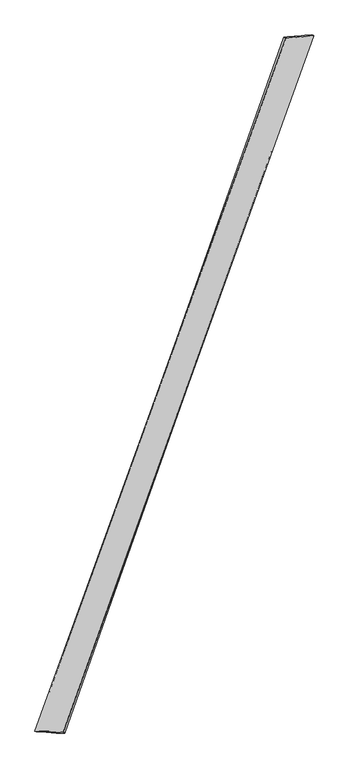
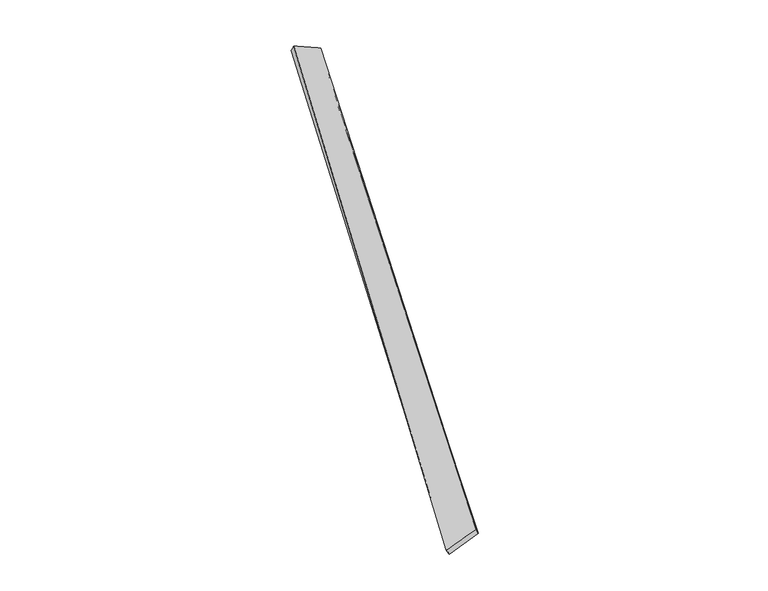
"""IFC4 building model written with IfcOpenShell, lengths in millimetres: proxy geometry."""

import ifcopenshell
import ifcopenshell.guid

model = None  # the IFC model being written
_history = None  # IfcOwnerHistory: only IFC2X3 demands one
_inside = {}  # id of a spatial element -> (the spatial element, [elements in it])
_under = {}  # id of a project, library or spatial element -> (it, [spatial elements below it])
_declared = {}  # id of a project -> (the project, [libraries it declares])
_typed = {}  # id of a type object -> (the type object, [elements of that type])
_made_of = {}  # id of a material, layer set ... -> (it, [elements and type objects made of it])


def new_model(schema):
    """Start an empty IFC model of exactly this schema.

    Asked for "IFC4X3", IfcOpenShell would pick the latest addendum, in which some entities
    have other attributes; the version numbers below select the first issue.
    IFC2X3 requires an IfcOwnerHistory on every rooted entity: one is made here for all.
    """
    global model, _history
    if schema == "IFC4X3":
        model = ifcopenshell.file(schema_version=(4, 3, 0, 0))
    else:
        model = ifcopenshell.file(schema=schema)
    _inside.clear()
    _under.clear()
    _declared.clear()
    _typed.clear()
    _made_of.clear()
    _history = None
    if model.schema == "IFC2X3":
        org = make("IfcOrganization", Name="unknown")
        user = make(
            "IfcPersonAndOrganization",
            ThePerson=make("IfcPerson", FamilyName="unknown"),
            TheOrganization=org,
        )
        app = make(
            "IfcApplication",
            ApplicationDeveloper=org,
            Version="unknown",
            ApplicationFullName="unknown",
            ApplicationIdentifier="unknown",
        )
        _history = make(
            "IfcOwnerHistory",
            OwningUser=user,
            OwningApplication=app,
            ChangeAction="ADDED",
            CreationDate=0,
        )
    return model


def make(cls, **values):
    """One entity of the class cls with the attributes given. An attribute that is None is left unset."""
    return model.create_entity(
        cls, **{name: value for name, value in values.items() if value is not None}
    )


def rooted(cls, **values):
    """An entity with a GlobalId (a new one), such as an element, a storey or a relation."""
    return make(cls, GlobalId=ifcopenshell.guid.new(), OwnerHistory=_history, **values)


def si_unit(unit_type, name, prefix=None):
    """IfcSIUnit, for example si_unit("LENGTHUNIT", "METRE", prefix="MILLI")."""
    return make("IfcSIUnit", UnitType=unit_type, Prefix=prefix, Name=name)


def assignment(units):
    """IfcUnitAssignment: the units of a project."""
    return None if units is None else make("IfcUnitAssignment", Units=units)


def point(xyz):
    """IfcCartesianPoint."""
    return None if xyz is None else make("IfcCartesianPoint", Coordinates=xyz)


def direction(xyz):
    """IfcDirection."""
    return None if xyz is None else make("IfcDirection", DirectionRatios=xyz)


def frame(location, z_axis=None, x_axis=None):
    """IfcAxis2Placement3D, a coordinate frame: its origin and axes. An axis left out is left unset."""
    return make(
        "IfcAxis2Placement3D",
        Location=point(location),
        Axis=direction(z_axis),
        RefDirection=direction(x_axis),
    )


def origin():
    """The frame at (0, 0, 0) with its axes left unset."""
    return frame((0.0, 0.0, 0.0))


def place(relative_to, where):
    """IfcLocalPlacement: puts the frame where relative to a parent placement (None: the world)."""
    return make(
        "IfcLocalPlacement", PlacementRelTo=relative_to, RelativePlacement=where
    )


def context(
    kind, dimensions, precision=None, world=None, true_north=None, identifier=None
):
    """IfcGeometricRepresentationContext, for example the 3D "Model" context."""
    return make(
        "IfcGeometricRepresentationContext",
        ContextIdentifier=identifier,
        ContextType=kind,
        CoordinateSpaceDimension=dimensions,
        Precision=precision,
        WorldCoordinateSystem=world,
        TrueNorth=true_north,
    )


def project(units=None, contexts=None):
    """IfcProject with its units and contexts."""
    return rooted(
        "IfcProject",
        Name="project",
        RepresentationContexts=contexts,
        UnitsInContext=assignment(units),
    )


def spatial(cls, under=None, at=None, **own):
    """A site, building, storey or space (cls), placed at a placement, below another one or the project."""
    s = rooted(cls, ObjectPlacement=at, **own)
    if under is not None:
        _under.setdefault(under.id(), (under, []))[1].append(s)
    return s


def shape(context_of_items, identifier, shape_type, items):
    """IfcShapeRepresentation: the items that make up one representation, for example the "Body"."""
    return make(
        "IfcShapeRepresentation",
        ContextOfItems=context_of_items,
        RepresentationIdentifier=identifier,
        RepresentationType=shape_type,
        Items=items,
    )


def source(mapping_origin, context_of_items, identifier, shape_type, items):
    """IfcRepresentationMap: a shape defined once, which mapped items show again and again."""
    return make(
        "IfcRepresentationMap",
        MappingOrigin=mapping_origin,
        MappedRepresentation=shape(context_of_items, identifier, shape_type, items),
    )


def transform(
    local_origin,
    x_axis=None,
    y_axis=None,
    z_axis=None,
    scale=None,
    scale2=None,
    scale3=None,
    uniform=True,
):
    """IfcCartesianTransformationOperator3D, or its non-uniform kind. x_axis, y_axis, z_axis: its Axis1, 2, 3."""
    if uniform:
        return make(
            "IfcCartesianTransformationOperator3D",
            Axis1=direction(x_axis),
            Axis2=direction(y_axis),
            LocalOrigin=point(local_origin),
            Scale=scale,
            Axis3=direction(z_axis),
        )
    return make(
        "IfcCartesianTransformationOperator3DnonUniform",
        Axis1=direction(x_axis),
        Axis2=direction(y_axis),
        LocalOrigin=point(local_origin),
        Scale=scale,
        Axis3=direction(z_axis),
        Scale2=scale2,
        Scale3=scale3,
    )


def mapped(mapping_source, mapping_target):
    """IfcMappedItem: shows the shape of a source again, moved by a transform."""
    return make(
        "IfcMappedItem", MappingSource=mapping_source, MappingTarget=mapping_target
    )


def made_of(thing, what):
    """Note that an element or type object is made of a material, layer set ...; save() writes the relation."""
    if what is not None:
        _made_of.setdefault(what.id(), (what, []))[1].append(thing)
    return thing


def element(
    cls,
    number,
    at=None,
    inside=None,
    cuts=None,
    type_object=None,
    material=None,
    context=None,
    identifier="Body",
    shape_type=None,
    held_by="IfcProductDefinitionShape",
    body=None,
    shapes=None,
    **own,
):
    """One element of the class cls, such as IfcWall. Its Tag is "e" and its number.

    at: its placement. inside: the storey or other place that contains it. cuts: it is an
    opening in that element (IfcRelVoidsElement). A single representation is given by context,
    identifier, shape_type and body (its items); several are given by shapes. held_by: the class
    of the entity that holds the representations. save() writes the other relations.
    """
    e = rooted(cls, Tag="e%d" % number, ObjectPlacement=at, **own)
    if body is not None:
        shapes = [shape(context, identifier, shape_type, body)]
    if shapes is not None:
        e.Representation = make(held_by, Representations=shapes)
    if inside is not None:
        _inside.setdefault(inside.id(), (inside, []))[1].append(e)
    if cuts is not None:
        rooted(
            "IfcRelVoidsElement", RelatingBuildingElement=cuts, RelatedOpeningElement=e
        )
    if type_object is not None:
        _typed.setdefault(type_object.id(), (type_object, []))[1].append(e)
    return made_of(e, material)


def aggregate(whole, parts):
    """IfcRelAggregates: a whole, such as a stair, and the parts it consists of."""
    return rooted("IfcRelAggregates", RelatingObject=whole, RelatedObjects=parts)


def save(model, path):
    """Write the relations noted so far, then the file.

    IfcRelAggregates (storeys below a building ...), IfcRelContainedInSpatialStructure (elements
    in a storey), IfcRelDefinesByType, IfcRelAssociatesMaterial and IfcRelDeclares: one each for
    every whole, place, type object, material and project.
    """
    for whole, parts in _under.values():
        aggregate(whole, parts)
    for where, things in _inside.values():
        rooted(
            "IfcRelContainedInSpatialStructure",
            RelatedElements=things,
            RelatingStructure=where,
        )
    for kind, things in _typed.values():
        rooted("IfcRelDefinesByType", RelatedObjects=things, RelatingType=kind)
    for what, things in _made_of.values():
        rooted("IfcRelAssociatesMaterial", RelatedObjects=things, RelatingMaterial=what)
    for by, libraries in _declared.values():
        rooted("IfcRelDeclares", RelatingContext=by, RelatedDefinitions=libraries)
    model.write(path)


def spline_surface(u_degree, v_degree, points, u_multiplicities, v_multiplicities, u_knots, v_knots, weights=None):
    """IfcBSplineSurfaceWithKnots; with weights, IfcRationalBSplineSurfaceWithKnots. points: one row for each step in u."""
    own = dict(
        UDegree=u_degree,
        VDegree=v_degree,
        ControlPointsList=[[point(p) for p in row] for row in points],
        SurfaceForm="UNSPECIFIED",
        UClosed=False,
        VClosed=False,
        SelfIntersect=False,
        UMultiplicities=u_multiplicities,
        VMultiplicities=v_multiplicities,
        UKnots=u_knots,
        VKnots=v_knots,
        KnotSpec="UNSPECIFIED",
    )
    if weights is None:
        return make("IfcBSplineSurfaceWithKnots", **own)
    return make("IfcRationalBSplineSurfaceWithKnots", WeightsData=weights, **own)


def advanced_brep(points, edges, surfaces, faces):
    """IfcAdvancedBrep: a solid bounded by faces that lie on surfaces and meet in shared edges.

    An edge is (start, end): straight between two places in points (the first is 0);
    or (start, end, curve); or (start, end, curve, False) where it runs against its curve.
    A face is (place in surfaces, loops), or (place, loops, False) where it looks against
    its surface's normal. A loop lists edges by number (the first is 1), with a minus sign
    where the edge is run from its end to its start. The first loop is the outer one.
    """
    corners = [point(p) for p in points]
    vertices = [make("IfcVertexPoint", VertexGeometry=c) for c in corners]
    made = []
    for start, end, *more in edges:
        made.append(
            make(
                "IfcEdgeCurve",
                EdgeStart=vertices[start],
                EdgeEnd=vertices[end],
                EdgeGeometry=more[0] if more else make("IfcPolyline", Points=[corners[start], corners[end]]),
                SameSense=more[1] if len(more) > 1 else True,
            )
        )
    hull = []
    for where, loops, *sense in faces:
        bounds = []
        for j, loop in enumerate(loops):
            ring = [make("IfcOrientedEdge", EdgeElement=made[abs(k) - 1], Orientation=k > 0) for k in loop]
            bounds.append(
                make(
                    "IfcFaceOuterBound" if j == 0 else "IfcFaceBound",
                    Bound=make("IfcEdgeLoop", EdgeList=ring),
                    Orientation=True,
                )
            )
        hull.append(make("IfcAdvancedFace", Bounds=bounds, FaceSurface=surfaces[where], SameSense=sense[0] if sense else True))
    return make("IfcAdvancedBrep", Outer=make("IfcClosedShell", CfsFaces=hull))


def generic_models_061079b9(model_context):
    return source(origin(), model_context, "Body", "AdvancedBrep", [
        advanced_brep(
        [(-725.9326392, -1839.0293526, -36.489896), (-739.6432946, -1834.6455709, -10.1687944), (726.1708667, 2211.1468677, 65.2283673), (714.0221393, 2215.9585313, 38.2236211), (-574.310865, -1842.3542942, 64.1663264), (889.5671533, 2225.2320985, -11.6651579), (-564.0141278, -1846.4999937, 36.295367), (875.9246277, 2229.5708151, -38.0290922)],
        [
            (0, 1),
            (1, 2),
            (2, 3),
            (3, 0),
            (1, 4),
            (4, 5),
            (5, 2),
            (4, 6),
            (6, 7),
            (7, 5),
            (6, 0),
            (3, 7),
        ],
        [
            spline_surface(1, 1, [[(-725.9326392, -1839.0293526, -36.489896), (714.0221393, 2215.9585313, 38.2236211)], [(-739.6432946, -1834.6455709, -10.1687944), (726.1708667, 2211.1468677, 65.2283673)]], [2, 2], [2, 2], [0.0, 1.0], [0.0, 1.0]),
            spline_surface(1, 1, [[(-739.6432946, -1834.6455709, -10.1687944), (726.1708667, 2211.1468677, 65.2283673)], [(-574.310865, -1842.3542942, 64.1663264), (889.5671533, 2225.2320985, -11.6651579)]], [2, 2], [2, 2], [0.0, 1.0], [0.0, 1.0]),
            spline_surface(1, 1, [[(-574.310865, -1842.3542942, 64.1663264), (889.5671533, 2225.2320985, -11.6651579)], [(-564.0141278, -1846.4999937, 36.295367), (875.9246277, 2229.5708151, -38.0290922)]], [2, 2], [2, 2], [0.0, 1.0], [0.0, 1.0]),
            spline_surface(1, 1, [[(-564.0141278, -1846.4999937, 36.295367), (875.9246277, 2229.5708151, -38.0290922)], [(-725.9326392, -1839.0293526, -36.489896), (714.0221393, 2215.9585313, 38.2236211)]], [2, 2], [2, 2], [0.0, 1.0], [0.0, 1.0]),
            spline_surface(1, 1, [[(726.1708667, 2211.1468677, 65.2283673), (714.0221393, 2215.9585313, 38.2236211)], [(889.5671533, 2225.2320985, -11.6651579), (875.9246277, 2229.5708151, -38.0290922)]], [2, 2], [2, 2], [0.0, 1.0], [0.0, 1.0]),
            spline_surface(1, 1, [[(-564.0141278, -1846.4999937, 36.295367), (-725.9326392, -1839.0293526, -36.489896)], [(-574.310865, -1842.3542942, 64.1663264), (-739.6432946, -1834.6455709, -10.1687944)]], [2, 2], [2, 2], [0.0, 1.0], [0.0, 1.0]),
        ],
        [
            (0, [[1, 2, 3, 4]]),
            (1, [[5, 6, 7, -2]]),
            (2, [[8, 9, 10, -6]]),
            (3, [[11, -4, 12, -9]]),
            (4, [[-3, -7, -10, -12]]),
            (5, [[-11, -8, -5, -1]]),
        ],
    ),
    ])


if __name__ == "__main__":
    model = new_model("IFC4")
    model_context = context("Model", 3, world=origin())
    ifc_project = project(units=[si_unit("LENGTHUNIT", "METRE", prefix="MILLI")], contexts=[model_context])
    site = spatial("IfcSite", under=ifc_project)
    building = spatial("IfcBuilding", under=site)
    placement = place(None, origin())
    generic_models_shape = generic_models_061079b9(model_context)
    element("IfcBuildingElementProxy", 1, Name="Generic Models", at=placement, inside=building, context=model_context, shape_type="MappedRepresentation", body=[
        mapped(generic_models_shape, transform((0.0, 0.0, 0.0), x_axis=(1.0, 0.0, 0.0), y_axis=(0.0, 1.0, 0.0), z_axis=(0.0, 0.0, 1.0))),
    ])
    save(model, "model.ifc")
